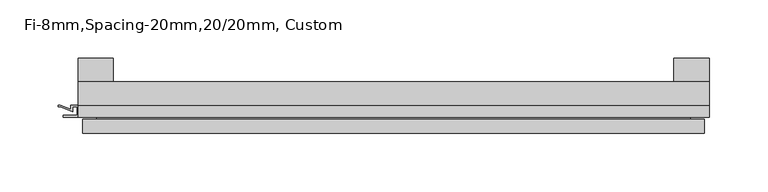
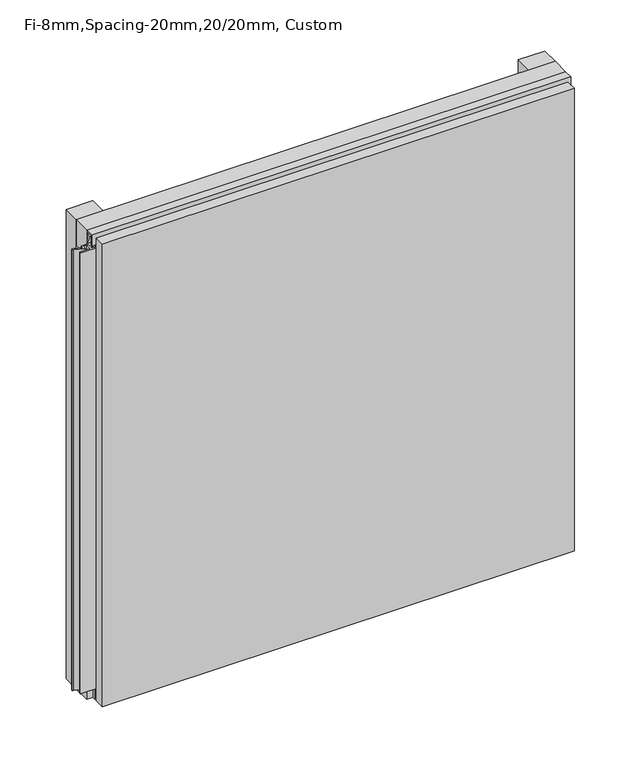
"""IFC4 building model written with IfcOpenShell, lengths in millimetres: plate geometry, Fi-8mm,Spacing-20mm,20/20mm, Custom."""

from ifc_helpers import new_model, si_unit, frame, origin, origin_with_axes, place, context, project, spatial, polyline, outline, extrude, faceted_brep, source, transform, mapped, element, save


def fi_8mm_spacing_20mm_20_20mm_custom_05b2a122(model_context):
    return source(origin(), model_context, "Body", "SolidModel", [
        extrude(outline(polyline([(-270.0, -40.0), (-270.0, -20.0), (270.0, -20.0), (270.0, -40.0), (-270.0, -40.0)])), frame((0.0, 0.0, 530.0), z_axis=(0.0, 0.0, 1.0), x_axis=(1.0, 0.0, 0.0)), (0.0, 0.0, 1.0), 30.0),
        extrude(outline(polyline([(-270.0, -40.0), (-270.0, -20.0), (270.0, -20.0), (270.0, -40.0), (-270.0, -40.0)])), origin_with_axes(), (0.0, 0.0, 1.0), 30.0),
        extrude(outline(polyline([(240.0, 0.0), (270.0, 0.0), (270.0, -20.0), (240.0, -20.0), (240.0, 0.0)])), origin_with_axes(), (0.0, 0.0, 1.0), 560.0),
        extrude(outline(polyline([(-240.0, 0.0), (-240.0, -20.0), (-270.0, -20.0), (-270.0, 0.0), (-240.0, 0.0)])), origin_with_axes(), (0.0, 0.0, 1.0), 560.0),
        extrude(outline(polyline([(-40.0, 553.700916), (-43.5, 553.700916), (-40.0553267, 544.6441401), (-40.0553267, 537.008452), (-41.4553267, 537.008452), (-41.4553267, 544.4296606), (-45.5140545, 555.100916), (-41.4, 555.100916), (-41.4, 558.5843193), (-48.7, 558.5843193), (-48.7, 546.5843193), (-50.1, 546.5843193), (-50.1, 560.0), (-40.0, 560.0), (-40.0, 553.700916)])), frame((-270.0, 0.0, 0.0), z_axis=(1.0, 0.0, 0.0), x_axis=(0.0, 1.0, 0.0)), (0.0, 0.0, 1.0), 540.0),
        extrude(outline(polyline([(263.700916, -40.0), (270.0, -40.0), (270.0, -50.1), (256.5843193, -50.1), (256.5843193, -48.7), (268.5843193, -48.7), (268.5843193, -41.4), (265.100916, -41.4), (265.100916, -45.5140545), (254.4296606, -41.4553267), (247.008452, -41.4553267), (247.008452, -40.0553267), (254.6441401, -40.0553267), (263.700916, -43.5), (263.700916, -40.0)])), frame((0.0, 0.0, 16.9558599), z_axis=(0.0, 0.0, 1.0), x_axis=(1.0, 0.0, 0.0)), (0.0, 0.0, 1.0), 526.0882802),
        extrude(outline(polyline([(-270.899084, -48.7), (-270.899084, -41.4), (-274.899084, -41.4), (-274.899084, -45.5140545), (-285.5703394, -41.4553267), (-286.9558599, -41.4553267), (-286.9558599, -40.0553267), (-285.3558599, -40.0553267), (-276.299084, -43.5), (-276.299084, -40.0), (-263.700916, -40.0), (-263.700916, -43.5), (-254.6441401, -40.0553267), (-253.0441401, -40.0553267), (-253.0441401, -41.4553267), (-254.4296606, -41.4553267), (-265.100916, -45.5140545), (-265.100916, -41.4), (-269.100916, -41.4), (-269.100916, -48.7), (-257.100916, -48.7), (-257.100916, -50.1), (-282.899084, -50.1), (-282.899084, -48.7), (-270.899084, -48.7)])), frame((0.0, 0.0, 16.9558599), z_axis=(0.0, 0.0, 1.0), x_axis=(1.0, 0.0, 0.0)), (0.0, 0.0, 1.0), 526.0882802),
        faceted_brep([(266.0, -45.9, 556.0), (-266.0, -45.9, 556.0), (-266.0, -48.7, 556.0), (266.0, -48.7, 556.0), (-266.0, -63.9, 556.0), (266.0, -63.9, 556.0), (266.0, -51.9, 556.0), (-266.0, -51.9, 556.0), (-266.0, -45.9, 4.0), (266.0, -45.9, 4.0), (266.0, -48.7, 4.0), (-266.0, -48.7, 4.0), (266.0, -63.9, 4.0), (-266.0, -63.9, 4.0), (-266.0, -51.9, 4.0), (266.0, -51.9, 4.0), (254.0, -51.9, 544.0), (254.0, -51.9, 16.0), (254.0, -48.7, 16.0), (254.0, -48.7, 544.0), (-254.0, -51.9, 16.0), (-254.0, -48.7, 16.0), (-254.0, -51.9, 544.0), (-254.0, -48.7, 544.0)], [[[0, 1, 2, 3]], [[4, 5, 6, 7]], [[8, 9, 10, 11]], [[12, 13, 14, 15]], [[1, 0, 9, 8]], [[1, 8, 11, 2]], [[13, 4, 7, 14]], [[5, 4, 13, 12]], [[9, 0, 3, 10]], [[5, 12, 15, 6]], [[16, 17, 18, 19]], [[18, 17, 20, 21]], [[21, 20, 22, 23]], [[16, 19, 23, 22]], [[7, 6, 15, 14], [17, 16, 22, 20]], [[3, 2, 11, 10], [19, 18, 21, 23]]]),
    ])


if __name__ == "__main__":
    model = new_model("IFC4")
    model_context = context("Model", 3, world=origin())
    ifc_project = project(units=[si_unit("LENGTHUNIT", "METRE", prefix="MILLI")], contexts=[model_context])
    site = spatial("IfcSite", under=ifc_project)
    building = spatial("IfcBuilding", under=site)
    placement = place(None, origin())
    fi_8mm_spacing_20mm_20_20mm_custom_shape = fi_8mm_spacing_20mm_20_20mm_custom_05b2a122(model_context)
    element("IfcPlate", 1, ObjectType="Fi-8mm,Spacing-20mm,20/20mm, Custom", at=placement, inside=building, context=model_context, shape_type="MappedRepresentation", body=[
        mapped(fi_8mm_spacing_20mm_20_20mm_custom_shape, transform((0.0, 0.0, 0.0), x_axis=(1.0, 0.0, 0.0), y_axis=(0.0, 1.0, 0.0), z_axis=(0.0, 0.0, 1.0))),
    ])
    save(model, "model.ifc")
